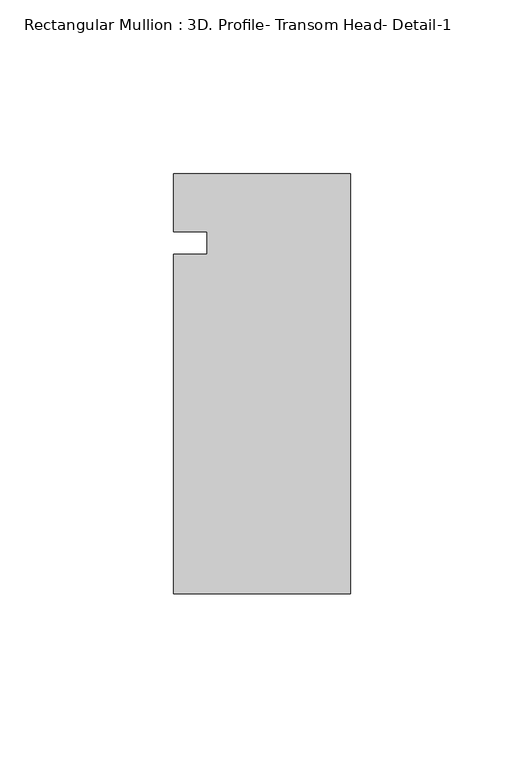
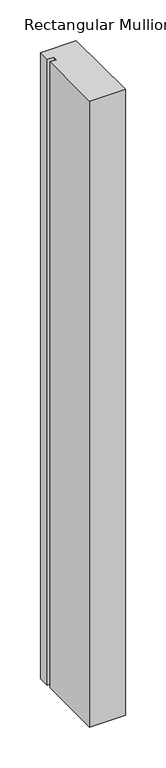
"""IFC4 building model written with IfcOpenShell, lengths in millimetres: member geometry, Rectangular Mullion : 3D. Profile- Transom Head- Detail-1."""

from ifc_helpers import new_model, si_unit, frame, origin, place, context, project, spatial, polyline, outline, extrude, source, transform, mapped, element, save


def rectangular_mullion_3d_profile_transom_head_detail_1_c36057ca(model_context):
    return source(origin(), model_context, "Body", "SweptSolid", [
        extrude(outline(polyline([(-41.275, 54.4756698), (-41.275, 60.9159082), (-50.7746, 60.9159082), (-50.7746, 77.6071836), (0.0, 77.6071836), (0.0, -43.0428164), (-50.8, -43.0428164), (-50.8, 54.4756698), (-41.275, 54.4756698)])), frame((0.0, 0.0, -939.8), z_axis=(0.0, 0.0, 1.0), x_axis=(1.0, 0.0, 0.0)), (0.0, 0.0, 1.0), 939.8),
    ])


if __name__ == "__main__":
    model = new_model("IFC4")
    model_context = context("Model", 3, world=origin())
    ifc_project = project(units=[si_unit("LENGTHUNIT", "METRE", prefix="MILLI")], contexts=[model_context])
    site = spatial("IfcSite", under=ifc_project)
    building = spatial("IfcBuilding", under=site)
    placement = place(None, origin())
    rectangular_mullion_3d_profile_transom_head_detail_1_shape = rectangular_mullion_3d_profile_transom_head_detail_1_c36057ca(model_context)
    element("IfcMember", 1, ObjectType="Rectangular Mullion : 3D. Profile- Transom Head- Detail-1", at=placement, inside=building, context=model_context, shape_type="MappedRepresentation", body=[
        mapped(rectangular_mullion_3d_profile_transom_head_detail_1_shape, transform((0.0, 0.0, 0.0), x_axis=(1.0, 0.0, 0.0), y_axis=(0.0, 1.0, 0.0), z_axis=(0.0, 0.0, 1.0))),
    ])
    save(model, "model.ifc")
